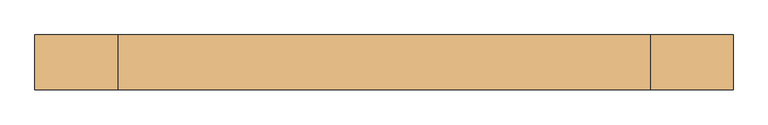
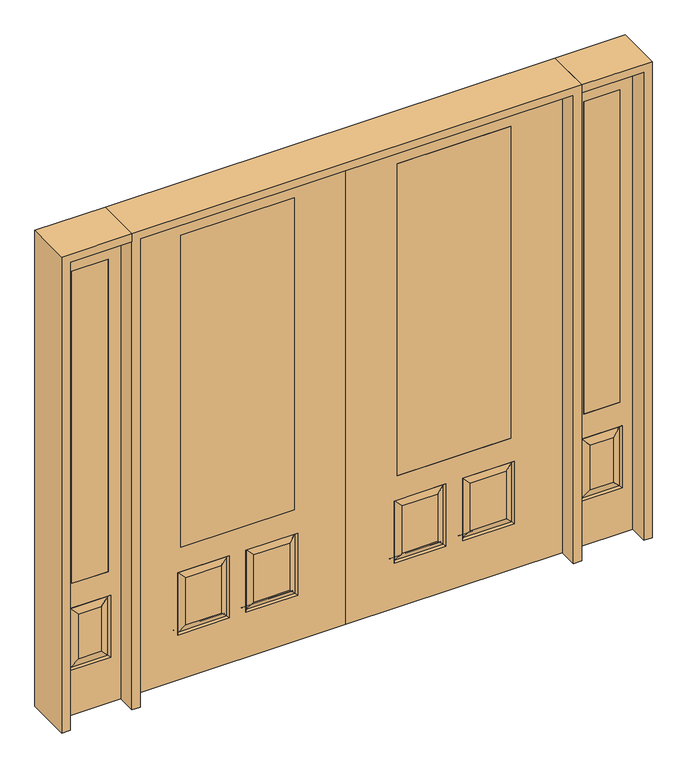
"""IFC4 building model written with IfcOpenShell, lengths in millimetres: door geometry."""

import ifcopenshell
import ifcopenshell.guid

model = None  # the IFC model being written
_history = None  # IfcOwnerHistory: only IFC2X3 demands one
_inside = {}  # id of a spatial element -> (the spatial element, [elements in it])
_under = {}  # id of a project, library or spatial element -> (it, [spatial elements below it])
_declared = {}  # id of a project -> (the project, [libraries it declares])
_typed = {}  # id of a type object -> (the type object, [elements of that type])
_made_of = {}  # id of a material, layer set ... -> (it, [elements and type objects made of it])


def new_model(schema):
    """Start an empty IFC model of exactly this schema.

    Asked for "IFC4X3", IfcOpenShell would pick the latest addendum, in which some entities
    have other attributes; the version numbers below select the first issue.
    IFC2X3 requires an IfcOwnerHistory on every rooted entity: one is made here for all.
    """
    global model, _history
    if schema == "IFC4X3":
        model = ifcopenshell.file(schema_version=(4, 3, 0, 0))
    else:
        model = ifcopenshell.file(schema=schema)
    _inside.clear()
    _under.clear()
    _declared.clear()
    _typed.clear()
    _made_of.clear()
    _history = None
    if model.schema == "IFC2X3":
        org = make("IfcOrganization", Name="unknown")
        user = make(
            "IfcPersonAndOrganization",
            ThePerson=make("IfcPerson", FamilyName="unknown"),
            TheOrganization=org,
        )
        app = make(
            "IfcApplication",
            ApplicationDeveloper=org,
            Version="unknown",
            ApplicationFullName="unknown",
            ApplicationIdentifier="unknown",
        )
        _history = make(
            "IfcOwnerHistory",
            OwningUser=user,
            OwningApplication=app,
            ChangeAction="ADDED",
            CreationDate=0,
        )
    return model


def make(cls, **values):
    """One entity of the class cls with the attributes given. An attribute that is None is left unset."""
    return model.create_entity(
        cls, **{name: value for name, value in values.items() if value is not None}
    )


def rooted(cls, **values):
    """An entity with a GlobalId (a new one), such as an element, a storey or a relation."""
    return make(cls, GlobalId=ifcopenshell.guid.new(), OwnerHistory=_history, **values)


def si_unit(unit_type, name, prefix=None):
    """IfcSIUnit, for example si_unit("LENGTHUNIT", "METRE", prefix="MILLI")."""
    return make("IfcSIUnit", UnitType=unit_type, Prefix=prefix, Name=name)


def assignment(units):
    """IfcUnitAssignment: the units of a project."""
    return None if units is None else make("IfcUnitAssignment", Units=units)


def point(xyz):
    """IfcCartesianPoint."""
    return None if xyz is None else make("IfcCartesianPoint", Coordinates=xyz)


def direction(xyz):
    """IfcDirection."""
    return None if xyz is None else make("IfcDirection", DirectionRatios=xyz)


def frame(location, z_axis=None, x_axis=None):
    """IfcAxis2Placement3D, a coordinate frame: its origin and axes. An axis left out is left unset."""
    return make(
        "IfcAxis2Placement3D",
        Location=point(location),
        Axis=direction(z_axis),
        RefDirection=direction(x_axis),
    )


def origin():
    """The frame at (0, 0, 0) with its axes left unset."""
    return frame((0.0, 0.0, 0.0))


def place(relative_to, where):
    """IfcLocalPlacement: puts the frame where relative to a parent placement (None: the world)."""
    return make(
        "IfcLocalPlacement", PlacementRelTo=relative_to, RelativePlacement=where
    )


def context(
    kind, dimensions, precision=None, world=None, true_north=None, identifier=None
):
    """IfcGeometricRepresentationContext, for example the 3D "Model" context."""
    return make(
        "IfcGeometricRepresentationContext",
        ContextIdentifier=identifier,
        ContextType=kind,
        CoordinateSpaceDimension=dimensions,
        Precision=precision,
        WorldCoordinateSystem=world,
        TrueNorth=true_north,
    )


def project(units=None, contexts=None):
    """IfcProject with its units and contexts."""
    return rooted(
        "IfcProject",
        Name="project",
        RepresentationContexts=contexts,
        UnitsInContext=assignment(units),
    )


def spatial(cls, under=None, at=None, **own):
    """A site, building, storey or space (cls), placed at a placement, below another one or the project."""
    s = rooted(cls, ObjectPlacement=at, **own)
    if under is not None:
        _under.setdefault(under.id(), (under, []))[1].append(s)
    return s


def polyline(points):
    """IfcPolyline through the points."""
    return make("IfcPolyline", Points=[point(p) for p in points])


def outline(outer, holes=None, kind="AREA"):
    """IfcArbitraryClosedProfileDef: a profile drawn as a closed curve; with holes, ...WithVoids."""
    if holes is None:
        return make("IfcArbitraryClosedProfileDef", ProfileType=kind, OuterCurve=outer)
    return make(
        "IfcArbitraryProfileDefWithVoids",
        ProfileType=kind,
        OuterCurve=outer,
        InnerCurves=holes,
    )


def extrude(swept, where, along, depth):
    """IfcExtrudedAreaSolid: the profile swept, set in the frame where, extruded along a direction by depth."""
    return make(
        "IfcExtrudedAreaSolid",
        SweptArea=swept,
        Position=where,
        ExtrudedDirection=direction(along),
        Depth=depth,
    )


def faces_of(points, faces, orient=None, outer=None):
    """IfcFace entities. A face is a list of loops; a loop is a list of indices into points, from 0.

    orient and outer hold one flag for each loop. By default every Orientation is true, the
    first loop of a face is its IfcFaceOuterBound and the others are IfcFaceBound.
    """
    made = []
    for i, loops in enumerate(faces):
        bounds = []
        for j, loop in enumerate(loops):
            is_outer = j == 0 if outer is None else outer[i][j]
            bounds.append(
                make(
                    "IfcFaceOuterBound" if is_outer else "IfcFaceBound",
                    Bound=make("IfcPolyLoop", Polygon=[points[k] for k in loop]),
                    Orientation=True if orient is None else orient[i][j],
                )
            )
        made.append(make("IfcFace", Bounds=bounds))
    return made


def faceted_brep(points, faces, orient=None, outer=None, voids=None):
    """IfcFacetedBrep: a solid bounded by flat faces; with voids (closed shells), ...WithVoids."""
    shared = [point(p) for p in points]
    hull = make("IfcClosedShell", CfsFaces=faces_of(shared, faces, orient, outer))
    if voids is None:
        return make("IfcFacetedBrep", Outer=hull)
    return make(
        "IfcFacetedBrepWithVoids",
        Outer=hull,
        Voids=[
            make(cls, CfsFaces=faces_of(shared, fs, o, b)) for cls, fs, o, b in voids
        ],
    )


def shape(context_of_items, identifier, shape_type, items):
    """IfcShapeRepresentation: the items that make up one representation, for example the "Body"."""
    return make(
        "IfcShapeRepresentation",
        ContextOfItems=context_of_items,
        RepresentationIdentifier=identifier,
        RepresentationType=shape_type,
        Items=items,
    )


def source(mapping_origin, context_of_items, identifier, shape_type, items):
    """IfcRepresentationMap: a shape defined once, which mapped items show again and again."""
    return make(
        "IfcRepresentationMap",
        MappingOrigin=mapping_origin,
        MappedRepresentation=shape(context_of_items, identifier, shape_type, items),
    )


def transform(
    local_origin,
    x_axis=None,
    y_axis=None,
    z_axis=None,
    scale=None,
    scale2=None,
    scale3=None,
    uniform=True,
):
    """IfcCartesianTransformationOperator3D, or its non-uniform kind. x_axis, y_axis, z_axis: its Axis1, 2, 3."""
    if uniform:
        return make(
            "IfcCartesianTransformationOperator3D",
            Axis1=direction(x_axis),
            Axis2=direction(y_axis),
            LocalOrigin=point(local_origin),
            Scale=scale,
            Axis3=direction(z_axis),
        )
    return make(
        "IfcCartesianTransformationOperator3DnonUniform",
        Axis1=direction(x_axis),
        Axis2=direction(y_axis),
        LocalOrigin=point(local_origin),
        Scale=scale,
        Axis3=direction(z_axis),
        Scale2=scale2,
        Scale3=scale3,
    )


def mapped(mapping_source, mapping_target):
    """IfcMappedItem: shows the shape of a source again, moved by a transform."""
    return make(
        "IfcMappedItem", MappingSource=mapping_source, MappingTarget=mapping_target
    )


def made_of(thing, what):
    """Note that an element or type object is made of a material, layer set ...; save() writes the relation."""
    if what is not None:
        _made_of.setdefault(what.id(), (what, []))[1].append(thing)
    return thing


def element(
    cls,
    number,
    at=None,
    inside=None,
    cuts=None,
    type_object=None,
    material=None,
    context=None,
    identifier="Body",
    shape_type=None,
    held_by="IfcProductDefinitionShape",
    body=None,
    shapes=None,
    **own,
):
    """One element of the class cls, such as IfcWall. Its Tag is "e" and its number.

    at: its placement. inside: the storey or other place that contains it. cuts: it is an
    opening in that element (IfcRelVoidsElement). A single representation is given by context,
    identifier, shape_type and body (its items); several are given by shapes. held_by: the class
    of the entity that holds the representations. save() writes the other relations.
    """
    e = rooted(cls, Tag="e%d" % number, ObjectPlacement=at, **own)
    if body is not None:
        shapes = [shape(context, identifier, shape_type, body)]
    if shapes is not None:
        e.Representation = make(held_by, Representations=shapes)
    if inside is not None:
        _inside.setdefault(inside.id(), (inside, []))[1].append(e)
    if cuts is not None:
        rooted(
            "IfcRelVoidsElement", RelatingBuildingElement=cuts, RelatedOpeningElement=e
        )
    if type_object is not None:
        _typed.setdefault(type_object.id(), (type_object, []))[1].append(e)
    return made_of(e, material)


def aggregate(whole, parts):
    """IfcRelAggregates: a whole, such as a stair, and the parts it consists of."""
    return rooted("IfcRelAggregates", RelatingObject=whole, RelatedObjects=parts)


def save(model, path):
    """Write the relations noted so far, then the file.

    IfcRelAggregates (storeys below a building ...), IfcRelContainedInSpatialStructure (elements
    in a storey), IfcRelDefinesByType, IfcRelAssociatesMaterial and IfcRelDeclares: one each for
    every whole, place, type object, material and project.
    """
    for whole, parts in _under.values():
        aggregate(whole, parts)
    for where, things in _inside.values():
        rooted(
            "IfcRelContainedInSpatialStructure",
            RelatedElements=things,
            RelatingStructure=where,
        )
    for kind, things in _typed.values():
        rooted("IfcRelDefinesByType", RelatedObjects=things, RelatingType=kind)
    for what, things in _made_of.values():
        rooted("IfcRelAssociatesMaterial", RelatedObjects=things, RelatingMaterial=what)
    for by, libraries in _declared.values():
        rooted("IfcRelDeclares", RelatingContext=by, RelatedDefinitions=libraries)
    model.write(path)


def door_3e2f5853(model_context):
    return source(origin(), model_context, "Body", "SolidModel", [
        extrude(outline(polyline([(1349.375, 20.6375), (1349.375, -20.6375), (1171.575, -20.6375), (1171.575, 20.6375), (1349.375, 20.6375)])), frame((0.0, 0.0, 685.8), z_axis=(0.0, 0.0, 1.0), x_axis=(1.0, 0.0, 0.0)), (0.0, 0.0, 1.0), 1625.6),
        faceted_brep([(1108.075, -20.6375, 0.0), (1412.875, -20.6375, 0.0), (1412.875, -20.6375, 2438.4), (1108.075, -20.6375, 2438.4), (1171.575, -20.6375, 685.8), (1171.575, -20.6375, 2311.4), (1349.375, -20.6375, 2311.4), (1349.375, -20.6375, 685.8), (1158.875, -20.6375, 234.95), (1158.875, -20.6375, 558.8), (1362.075, -20.6375, 558.8), (1362.075, -20.6375, 234.95), (1316.0375, -20.6375, 280.9875), (1316.0375, -20.6375, 512.7625), (1204.9125, -20.6375, 512.7625), (1204.9125, -20.6375, 280.9875), (1349.375, 20.6375, 2311.4), (1349.375, 20.6375, 685.8), (1108.075, 20.6375, 0.0), (1108.075, 20.6375, 2438.4), (1412.875, 20.6375, 2438.4), (1412.875, 20.6375, 0.0), (1362.075, 20.6375, 234.95), (1362.075, 20.6375, 558.8), (1158.875, 20.6375, 558.8), (1158.875, 20.6375, 234.95), (1171.575, 20.6375, 2311.4), (1171.575, 20.6375, 685.8), (1204.9125, 20.6375, 280.9875), (1204.9125, 20.6375, 512.7625), (1316.0375, 20.6375, 512.7625), (1316.0375, 20.6375, 280.9875), (1167.8552561, -11.6572439, 549.8197439), (1353.0947439, -11.6572439, 549.8197439), (1353.0947439, 11.6572439, 243.9302561), (1167.8552561, 11.6572439, 243.9302561), (1167.8552561, 11.6572439, 549.8197439), (1353.0947439, 11.6572439, 549.8197439), (1353.0947439, -11.6572439, 243.9302561), (1167.8552561, -11.6572439, 243.9302561)], [[[0, 1, 2, 3], [4, 5, 6, 7], [8, 9, 10, 11]], [[12, 13, 14, 15]], [[7, 6, 16, 17]], [[18, 19, 20, 21], [22, 23, 24, 25], [17, 16, 26, 27]], [[28, 29, 30, 31]], [[32, 33, 10, 9]], [[21, 1, 0, 18]], [[20, 2, 1, 21]], [[18, 0, 3, 19]], [[34, 22, 25, 35]], [[25, 24, 36, 35]], [[24, 23, 37, 36]], [[34, 37, 23, 22]], [[35, 28, 31, 34]], [[31, 30, 37, 34]], [[36, 37, 30, 29]], [[35, 36, 29, 28]], [[17, 27, 4, 7]], [[27, 26, 5, 4]], [[8, 11, 38, 39]], [[11, 10, 33, 38]], [[39, 32, 9, 8]], [[38, 12, 15, 39]], [[15, 14, 32, 39]], [[14, 13, 33, 32]], [[38, 33, 13, 12]], [[19, 3, 2, 20]], [[6, 5, 26, 16]]]),
        extrude(outline(polyline([(-1171.575, 20.6375), (-1171.575, -20.6375), (-1349.375, -20.6375), (-1349.375, 20.6375), (-1171.575, 20.6375)])), frame((0.0, 0.0, 685.8), z_axis=(0.0, 0.0, 1.0), x_axis=(1.0, 0.0, 0.0)), (0.0, 0.0, 1.0), 1625.6),
        faceted_brep([(-1412.875, -20.6375, 0.0), (-1108.075, -20.6375, 0.0), (-1108.075, -20.6375, 2438.4), (-1412.875, -20.6375, 2438.4), (-1349.375, -20.6375, 685.8), (-1349.375, -20.6375, 2311.4), (-1171.575, -20.6375, 2311.4), (-1171.575, -20.6375, 685.8), (-1362.075, -20.6375, 234.95), (-1362.075, -20.6375, 558.8), (-1158.875, -20.6375, 558.8), (-1158.875, -20.6375, 234.95), (-1204.9125, -20.6375, 280.9875), (-1204.9125, -20.6375, 512.7625), (-1316.0375, -20.6375, 512.7625), (-1316.0375, -20.6375, 280.9875), (-1171.575, 20.6375, 2311.4), (-1171.575, 20.6375, 685.8), (-1412.875, 20.6375, 0.0), (-1412.875, 20.6375, 2438.4), (-1108.075, 20.6375, 2438.4), (-1108.075, 20.6375, 0.0), (-1158.875, 20.6375, 234.95), (-1158.875, 20.6375, 558.8), (-1362.075, 20.6375, 558.8), (-1362.075, 20.6375, 234.95), (-1349.375, 20.6375, 2311.4), (-1349.375, 20.6375, 685.8), (-1316.0375, 20.6375, 280.9875), (-1316.0375, 20.6375, 512.7625), (-1204.9125, 20.6375, 512.7625), (-1204.9125, 20.6375, 280.9875), (-1353.0947439, -11.6572439, 549.8197439), (-1167.8552561, -11.6572439, 549.8197439), (-1167.8552561, 11.6572439, 243.9302561), (-1353.0947439, 11.6572439, 243.9302561), (-1353.0947439, 11.6572439, 549.8197439), (-1167.8552561, 11.6572439, 549.8197439), (-1167.8552561, -11.6572439, 243.9302561), (-1353.0947439, -11.6572439, 243.9302561)], [[[0, 1, 2, 3], [4, 5, 6, 7], [8, 9, 10, 11]], [[12, 13, 14, 15]], [[7, 6, 16, 17]], [[18, 19, 20, 21], [22, 23, 24, 25], [17, 16, 26, 27]], [[28, 29, 30, 31]], [[32, 33, 10, 9]], [[21, 1, 0, 18]], [[20, 2, 1, 21]], [[18, 0, 3, 19]], [[34, 22, 25, 35]], [[25, 24, 36, 35]], [[24, 23, 37, 36]], [[34, 37, 23, 22]], [[35, 28, 31, 34]], [[31, 30, 37, 34]], [[36, 37, 30, 29]], [[35, 36, 29, 28]], [[17, 27, 4, 7]], [[27, 26, 5, 4]], [[8, 11, 38, 39]], [[11, 10, 33, 38]], [[39, 32, 9, 8]], [[38, 12, 15, 39]], [[15, 14, 32, 39]], [[14, 13, 33, 32]], [[38, 33, 13, 12]], [[19, 3, 2, 20]], [[6, 5, 26, 16]]]),
        faceted_brep([(254.0, -20.6375, 685.8), (254.0, 20.6375, 685.8), (254.0, 20.6375, 2311.4), (254.0, -20.6375, 2311.4), (812.8, -20.6375, 685.8), (812.8, 20.6375, 685.8), (613.5727627, -20.6375, 273.8477627), (789.7772373, -20.6375, 273.8477627), (789.7772373, -20.6375, 520.4102373), (613.5727627, -20.6375, 520.4102373), (277.0227627, -20.6375, 273.8477627), (453.2272373, -20.6375, 273.8477627), (453.2272373, -20.6375, 520.4102373), (277.0227627, -20.6375, 520.4102373), (1066.8, -20.6375, 2438.4), (0.0, -20.6375, 2438.4), (0.0, -20.6375, 0.0), (1066.8, -20.6375, 0.0), (812.8, -20.6375, 2311.4), (828.675, -20.6375, 234.95), (574.675, -20.6375, 234.95), (574.675, -20.6375, 559.308), (828.675, -20.6375, 559.308), (492.125, -20.6375, 234.95), (238.125, -20.6375, 234.95), (238.125, -20.6375, 559.308), (492.125, -20.6375, 559.308), (812.8, 20.6375, 2311.4), (453.2272373, 20.6375, 273.8477627), (277.0227627, 20.6375, 273.8477627), (277.0227627, 20.6375, 520.4102373), (453.2272373, 20.6375, 520.4102373), (789.7772373, 20.6375, 273.8477627), (613.5727627, 20.6375, 273.8477627), (613.5727627, 20.6375, 520.4102373), (789.7772373, 20.6375, 520.4102373), (0.0, 20.6375, 2438.4), (1066.8, 20.6375, 2438.4), (1066.8, 20.6375, 0.0), (0.0, 20.6375, 0.0), (238.125, 20.6375, 234.95), (492.125, 20.6375, 234.95), (492.125, 20.6375, 559.308), (238.125, 20.6375, 559.308), (574.675, 20.6375, 234.95), (828.675, 20.6375, 234.95), (828.675, 20.6375, 559.308), (574.675, 20.6375, 559.308), (821.2714647, -11.4399763, 242.3535353), (582.0785353, -11.4399763, 242.3535353), (582.0785353, -11.4399763, 551.9044647), (821.2714647, -11.4399763, 551.9044647), (484.7214647, -11.4399763, 242.3535353), (245.5285353, -11.4399763, 242.3535353), (245.5285353, -11.4399763, 551.9044647), (484.7214647, -11.4399763, 551.9044647), (245.5285353, 11.4399763, 242.3535353), (484.7214647, 11.4399763, 242.3535353), (484.7214647, 11.4399763, 551.9044647), (245.5285353, 11.4399763, 551.9044647), (582.0785353, 11.4399763, 242.3535353), (821.2714647, 11.4399763, 242.3535353), (821.2714647, 11.4399763, 551.9044647), (582.0785353, 11.4399763, 551.9044647)], [[[0, 1, 2, 3]], [[1, 0, 4, 5]], [[6, 7, 8, 9]], [[10, 11, 12, 13]], [[14, 15, 16, 17], [4, 0, 3, 18], [19, 20, 21, 22], [23, 24, 25, 26]], [[5, 4, 18, 27]], [[28, 29, 30, 31]], [[32, 33, 34, 35]], [[36, 37, 38, 39], [1, 5, 27, 2], [40, 41, 42, 43], [44, 45, 46, 47]], [[39, 38, 17, 16]], [[37, 14, 17, 38]], [[15, 36, 39, 16]], [[19, 48, 49, 20]], [[20, 49, 50, 21]], [[51, 22, 21, 50]], [[48, 19, 22, 51]], [[49, 48, 7, 6]], [[7, 48, 51, 8]], [[8, 51, 50, 9]], [[49, 6, 9, 50]], [[52, 53, 24, 23]], [[24, 53, 54, 25]], [[25, 54, 55, 26]], [[52, 23, 26, 55]], [[53, 52, 11, 10]], [[11, 52, 55, 12]], [[54, 13, 12, 55]], [[53, 10, 13, 54]], [[40, 56, 57, 41]], [[41, 57, 58, 42]], [[59, 43, 42, 58]], [[56, 40, 43, 59]], [[57, 56, 29, 28]], [[29, 56, 59, 30]], [[30, 59, 58, 31]], [[57, 28, 31, 58]], [[60, 61, 45, 44]], [[45, 61, 62, 46]], [[46, 62, 63, 47]], [[60, 44, 47, 63]], [[61, 60, 33, 32]], [[33, 60, 63, 34]], [[62, 35, 34, 63]], [[61, 32, 35, 62]], [[3, 2, 27, 18]], [[36, 15, 14, 37]]]),
        extrude(outline(polyline([(254.0, 20.6375), (812.8, 20.6375), (812.8, -20.6375), (254.0, -20.6375), (254.0, 20.6375)])), frame((0.0, 0.0, 685.8), z_axis=(0.0, 0.0, 1.0), x_axis=(1.0, 0.0, 0.0)), (0.0, 0.0, 1.0), 1625.6),
        faceted_brep([(-254.0, -20.6375, 685.8), (-254.0, -20.6375, 2311.4), (-254.0, 20.6375, 2311.4), (-254.0, 20.6375, 685.8), (-812.8, 20.6375, 685.8), (-812.8, -20.6375, 685.8), (-613.5727627, -20.6375, 273.8477627), (-613.5727627, -20.6375, 520.4102373), (-789.7772373, -20.6375, 520.4102373), (-789.7772373, -20.6375, 273.8477627), (-277.0227627, -20.6375, 273.8477627), (-277.0227627, -20.6375, 520.4102373), (-453.2272373, -20.6375, 520.4102373), (-453.2272373, -20.6375, 273.8477627), (-1066.8, -20.6375, 2438.4), (-1066.8, -20.6375, 0.0), (0.0, -20.6375, 0.0), (0.0, -20.6375, 2438.4), (-812.8, -20.6375, 2311.4), (-828.675, -20.6375, 234.95), (-828.675, -20.6375, 559.308), (-574.675, -20.6375, 559.308), (-574.675, -20.6375, 234.95), (-492.125, -20.6375, 234.95), (-492.125, -20.6375, 559.308), (-238.125, -20.6375, 559.308), (-238.125, -20.6375, 234.95), (-812.8, 20.6375, 2311.4), (-453.2272373, 20.6375, 273.8477627), (-453.2272373, 20.6375, 520.4102373), (-277.0227627, 20.6375, 520.4102373), (-277.0227627, 20.6375, 273.8477627), (-789.7772373, 20.6375, 273.8477627), (-789.7772373, 20.6375, 520.4102373), (-613.5727627, 20.6375, 520.4102373), (-613.5727627, 20.6375, 273.8477627), (0.0, 20.6375, 2438.4), (0.0, 20.6375, 0.0), (-1066.8, 20.6375, 0.0), (-1066.8, 20.6375, 2438.4), (-238.125, 20.6375, 234.95), (-238.125, 20.6375, 559.308), (-492.125, 20.6375, 559.308), (-492.125, 20.6375, 234.95), (-574.675, 20.6375, 234.95), (-574.675, 20.6375, 559.308), (-828.675, 20.6375, 559.308), (-828.675, 20.6375, 234.95), (-582.0785353, -11.4399763, 242.3535353), (-821.2714647, -11.4399763, 242.3535353), (-582.0785353, -11.4399763, 551.9044647), (-821.2714647, -11.4399763, 551.9044647), (-484.7214647, -11.4399763, 242.3535353), (-245.5285353, -11.4399763, 242.3535353), (-245.5285353, -11.4399763, 551.9044647), (-484.7214647, -11.4399763, 551.9044647), (-484.7214647, 11.4399763, 242.3535353), (-245.5285353, 11.4399763, 242.3535353), (-484.7214647, 11.4399763, 551.9044647), (-245.5285353, 11.4399763, 551.9044647), (-582.0785353, 11.4399763, 242.3535353), (-821.2714647, 11.4399763, 242.3535353), (-821.2714647, 11.4399763, 551.9044647), (-582.0785353, 11.4399763, 551.9044647)], [[[0, 1, 2, 3]], [[3, 4, 5, 0]], [[6, 7, 8, 9]], [[10, 11, 12, 13]], [[14, 15, 16, 17], [5, 18, 1, 0], [19, 20, 21, 22], [23, 24, 25, 26]], [[4, 27, 18, 5]], [[28, 29, 30, 31]], [[32, 33, 34, 35]], [[36, 37, 38, 39], [3, 2, 27, 4], [40, 41, 42, 43], [44, 45, 46, 47]], [[37, 16, 15, 38]], [[39, 38, 15, 14]], [[17, 16, 37, 36]], [[19, 22, 48, 49]], [[22, 21, 50, 48]], [[51, 50, 21, 20]], [[49, 51, 20, 19]], [[48, 6, 9, 49]], [[9, 8, 51, 49]], [[8, 7, 50, 51]], [[48, 50, 7, 6]], [[52, 23, 26, 53]], [[26, 25, 54, 53]], [[25, 24, 55, 54]], [[52, 55, 24, 23]], [[53, 10, 13, 52]], [[13, 12, 55, 52]], [[54, 55, 12, 11]], [[53, 54, 11, 10]], [[40, 43, 56, 57]], [[43, 42, 58, 56]], [[59, 58, 42, 41]], [[57, 59, 41, 40]], [[56, 28, 31, 57]], [[31, 30, 59, 57]], [[30, 29, 58, 59]], [[56, 58, 29, 28]], [[60, 44, 47, 61]], [[47, 46, 62, 61]], [[46, 45, 63, 62]], [[60, 63, 45, 44]], [[61, 32, 35, 60]], [[35, 34, 63, 60]], [[62, 63, 34, 33]], [[61, 62, 33, 32]], [[1, 18, 27, 2]], [[36, 39, 14, 17]]]),
        extrude(outline(polyline([(-254.0, 20.6375), (-254.0, -20.6375), (-812.8, -20.6375), (-812.8, 20.6375), (-254.0, 20.6375)])), frame((0.0, 0.0, 685.8), z_axis=(0.0, 0.0, 1.0), x_axis=(1.0, 0.0, 0.0)), (0.0, 0.0, 1.0), 1625.6),
        extrude(outline(polyline([(2479.675, -1108.075), (2479.675, -1454.15), (0.0, -1454.15), (0.0, -1412.875), (2438.4, -1412.875), (2438.4, -1108.075), (2479.675, -1108.075)])), frame((0.0, -114.3, 0.0), z_axis=(0.0, 1.0, 0.0), x_axis=(0.0, 0.0, 1.0)), (0.0, 0.0, 1.0), 228.6),
        extrude(outline(polyline([(2479.675, -1108.075), (0.0, -1108.075), (0.0, -1066.8), (2438.4, -1066.8), (2438.4, 1066.8), (0.0, 1066.8), (0.0, 1108.075), (2479.675, 1108.075), (2479.675, -1108.075)])), frame((0.0, -114.3, 0.0), z_axis=(0.0, 1.0, 0.0), x_axis=(0.0, 0.0, 1.0)), (0.0, 0.0, 1.0), 228.6),
        extrude(outline(polyline([(0.0, 1454.15), (2479.675, 1454.15), (2479.675, 1108.075), (2438.4, 1108.075), (2438.4, 1412.875), (0.0, 1412.875), (0.0, 1454.15)])), frame((0.0, -114.3, 0.0), z_axis=(0.0, 1.0, 0.0), x_axis=(0.0, 0.0, 1.0)), (0.0, 0.0, 1.0), 228.6),
    ])


if __name__ == "__main__":
    model = new_model("IFC4")
    model_context = context("Model", 3, world=origin())
    ifc_project = project(units=[si_unit("LENGTHUNIT", "METRE", prefix="MILLI")], contexts=[model_context])
    site = spatial("IfcSite", under=ifc_project)
    building = spatial("IfcBuilding", under=site)
    placement = place(None, origin())
    door_shape = door_3e2f5853(model_context)
    element("IfcDoor", 1, at=placement, inside=building, context=model_context, shape_type="MappedRepresentation", body=[
        mapped(door_shape, transform((0.0, 0.0, 0.0), x_axis=(1.0, 0.0, 0.0), y_axis=(0.0, 1.0, 0.0), z_axis=(0.0, 0.0, 1.0))),
    ])
    save(model, "model.ifc")
